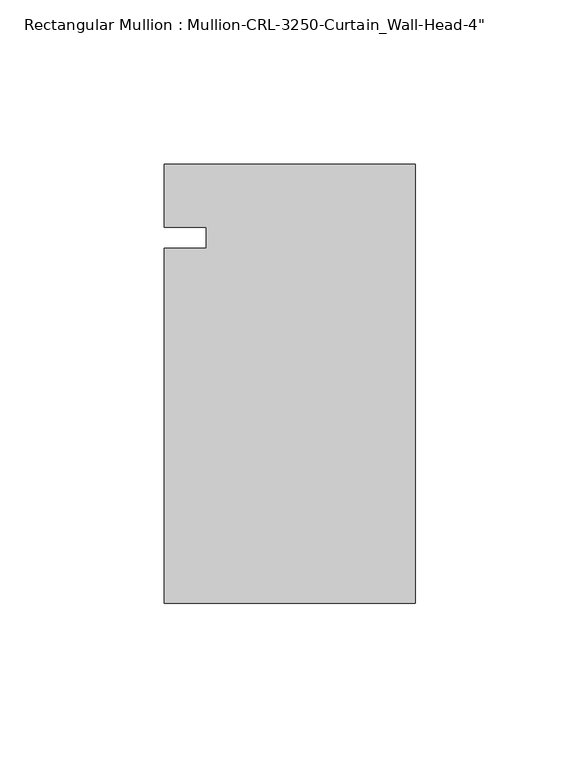
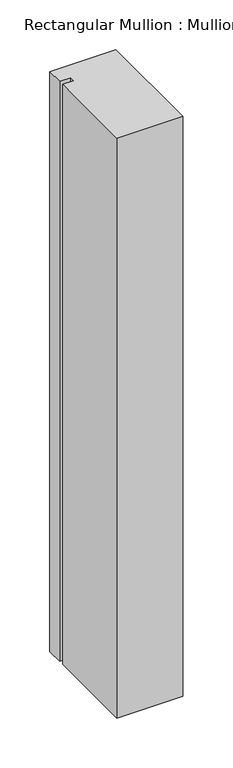
"""IFC4 building model written with IfcOpenShell, lengths in millimetres: member geometry."""

from ifc_helpers import new_model, si_unit, frame, origin, place, context, project, spatial, polyline, outline, extrude, source, transform, mapped, element, save


def member_c31a328f(model_context):
    return source(origin(), model_context, "Body", "SweptSolid", [
        extrude(outline(polyline([(0.0, 22.2254168), (0.0, -111.1245832), (-76.199997, -111.1245832), (-76.199997, -3.175), (-63.499997, -3.175), (-63.499997, 3.175), (-76.199997, 3.175), (-76.199997, 22.2254168), (0.0, 22.2254168)])), frame((0.0, 0.0, -708.0261772), z_axis=(0.0, 0.0, 1.0), x_axis=(1.0, 0.0, 0.0)), (0.0, 0.0, 1.0), 708.0261772),
    ])


if __name__ == "__main__":
    model = new_model("IFC4")
    model_context = context("Model", 3, world=origin())
    ifc_project = project(units=[si_unit("LENGTHUNIT", "METRE", prefix="MILLI")], contexts=[model_context])
    site = spatial("IfcSite", under=ifc_project)
    building = spatial("IfcBuilding", under=site)
    placement = place(None, origin())
    member_shape = member_c31a328f(model_context)
    element("IfcMember", 1, ObjectType="Rectangular Mullion : Mullion-CRL-3250-Curtain_Wall-Head-4\"", at=placement, inside=building, context=model_context, shape_type="MappedRepresentation", body=[
        mapped(member_shape, transform((0.0, 0.0, 0.0), x_axis=(1.0, 0.0, 0.0), y_axis=(0.0, 1.0, 0.0), z_axis=(0.0, 0.0, 1.0))),
    ])
    save(model, "model.ifc")
